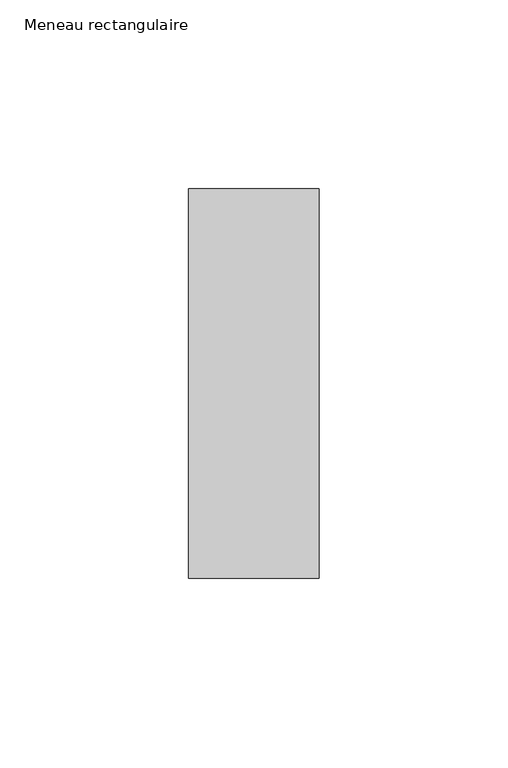
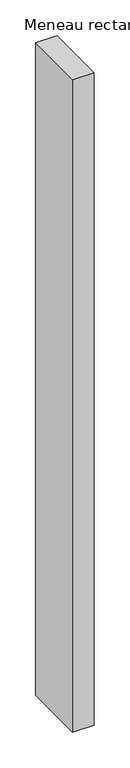
"""IFC4 building model written with IfcOpenShell, lengths in millimetres: member geometry, Meneau rectangulaire."""

from ifc_helpers import new_model, si_unit, frame, origin, place, context, project, spatial, polyline, outline, extrude, source, transform, mapped, element, save


def meneau_rectangulaire_d748a732(model_context):
    return source(origin(), model_context, "Body", "SweptSolid", [
        extrude(outline(polyline([(0.0, 51.5), (0.0, -51.5), (-34.5, -51.5), (-34.5, 51.5), (0.0, 51.5)])), frame((0.0, 0.0, -1110.3749998), z_axis=(0.0, 0.0, 1.0), x_axis=(1.0, 0.0, 0.0)), (0.0, 0.0, 1.0), 1110.3749998),
    ])


if __name__ == "__main__":
    model = new_model("IFC4")
    model_context = context("Model", 3, world=origin())
    ifc_project = project(units=[si_unit("LENGTHUNIT", "METRE", prefix="MILLI")], contexts=[model_context])
    site = spatial("IfcSite", under=ifc_project)
    building = spatial("IfcBuilding", under=site)
    placement = place(None, origin())
    meneau_rectangulaire_shape = meneau_rectangulaire_d748a732(model_context)
    element("IfcMember", 1, ObjectType="Meneau rectangulaire", at=placement, inside=building, context=model_context, shape_type="MappedRepresentation", body=[
        mapped(meneau_rectangulaire_shape, transform((0.0, 0.0, 0.0), x_axis=(1.0, 0.0, 0.0), y_axis=(0.0, 1.0, 0.0), z_axis=(0.0, 0.0, 1.0))),
    ])
    save(model, "model.ifc")
